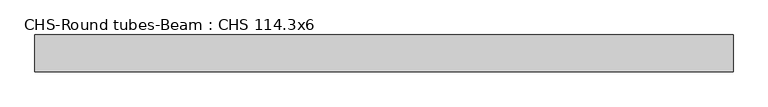
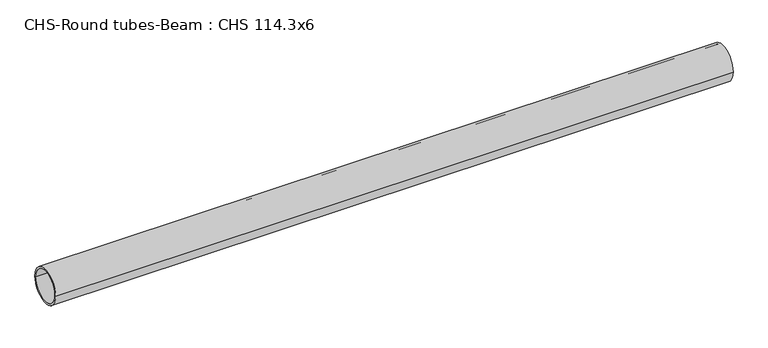
"""IFC4 building model written with IfcOpenShell, lengths in millimetres: beam geometry, CHS-Round tubes-Beam : CHS 114.3x6."""

from ifc_helpers import new_model, si_unit, point, frame, origin, origin_2d, place, context, project, spatial, circle_curve, trimmed, segment, composite_curve, outline, extrude, source, transform, mapped, element, save


def chs_round_tubes_beam_chs_114_3x6_f82eab65(model_context):
    return source(origin(), model_context, "Body", "SweptSolid", [
        extrude(outline(composite_curve([segment(trimmed(circle_curve(origin_2d(), 57.15), [point((57.15, 0.0))], [point((-57.15, 0.0))], False, "CARTESIAN"), True, "CONTINUOUS"), segment(trimmed(circle_curve(origin_2d(), 57.15), [point((-57.15, 0.0))], [point((57.15, 0.0))], False, "CARTESIAN"), True, "CONTINUOUS")], self_intersect=False), holes=[composite_curve([segment(trimmed(circle_curve(origin_2d(), 51.15), [point((51.15, 0.0))], [point((-51.15, 0.0))], True, "CARTESIAN"), True, "CONTINUOUS"), segment(trimmed(circle_curve(origin_2d(), 51.15), [point((-51.15, 0.0))], [point((51.15, 0.0))], True, "CARTESIAN"), True, "CONTINUOUS")], self_intersect=False)]), frame((-1049.6628378, 0.0, 0.0), z_axis=(1.0, 0.0, 0.0), x_axis=(0.0, 1.0, 0.0)), (0.0, 0.0, 1.0), 2173.1856511),
    ])


if __name__ == "__main__":
    model = new_model("IFC4")
    model_context = context("Model", 3, world=origin())
    ifc_project = project(units=[si_unit("LENGTHUNIT", "METRE", prefix="MILLI")], contexts=[model_context])
    site = spatial("IfcSite", under=ifc_project)
    building = spatial("IfcBuilding", under=site)
    placement = place(None, origin())
    chs_round_tubes_beam_chs_114_3x6_shape = chs_round_tubes_beam_chs_114_3x6_f82eab65(model_context)
    element("IfcBeam", 1, ObjectType="CHS-Round tubes-Beam : CHS 114.3x6", at=placement, inside=building, context=model_context, shape_type="MappedRepresentation", body=[
        mapped(chs_round_tubes_beam_chs_114_3x6_shape, transform((0.0, 0.0, 0.0), x_axis=(1.0, 0.0, 0.0), y_axis=(0.0, 1.0, 0.0), z_axis=(0.0, 0.0, 1.0))),
    ])
    save(model, "model.ifc")
